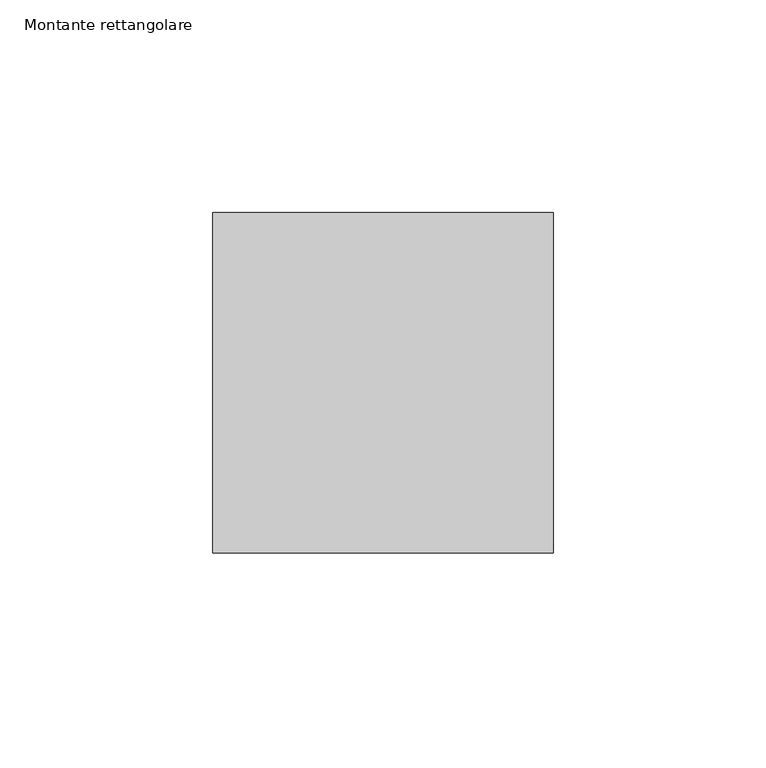
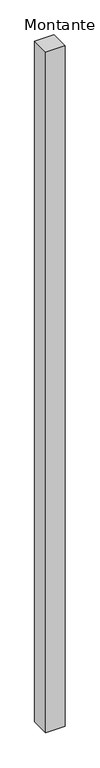
"""IFC4 building model written with IfcOpenShell, lengths in millimetres: member geometry, Montante rettangolare."""

import ifcopenshell
import ifcopenshell.guid

model = None  # the IFC model being written
_history = None  # IfcOwnerHistory: only IFC2X3 demands one
_inside = {}  # id of a spatial element -> (the spatial element, [elements in it])
_under = {}  # id of a project, library or spatial element -> (it, [spatial elements below it])
_declared = {}  # id of a project -> (the project, [libraries it declares])
_typed = {}  # id of a type object -> (the type object, [elements of that type])
_made_of = {}  # id of a material, layer set ... -> (it, [elements and type objects made of it])


def new_model(schema):
    """Start an empty IFC model of exactly this schema.

    Asked for "IFC4X3", IfcOpenShell would pick the latest addendum, in which some entities
    have other attributes; the version numbers below select the first issue.
    IFC2X3 requires an IfcOwnerHistory on every rooted entity: one is made here for all.
    """
    global model, _history
    if schema == "IFC4X3":
        model = ifcopenshell.file(schema_version=(4, 3, 0, 0))
    else:
        model = ifcopenshell.file(schema=schema)
    _inside.clear()
    _under.clear()
    _declared.clear()
    _typed.clear()
    _made_of.clear()
    _history = None
    if model.schema == "IFC2X3":
        org = make("IfcOrganization", Name="unknown")
        user = make(
            "IfcPersonAndOrganization",
            ThePerson=make("IfcPerson", FamilyName="unknown"),
            TheOrganization=org,
        )
        app = make(
            "IfcApplication",
            ApplicationDeveloper=org,
            Version="unknown",
            ApplicationFullName="unknown",
            ApplicationIdentifier="unknown",
        )
        _history = make(
            "IfcOwnerHistory",
            OwningUser=user,
            OwningApplication=app,
            ChangeAction="ADDED",
            CreationDate=0,
        )
    return model


def make(cls, **values):
    """One entity of the class cls with the attributes given. An attribute that is None is left unset."""
    return model.create_entity(
        cls, **{name: value for name, value in values.items() if value is not None}
    )


def rooted(cls, **values):
    """An entity with a GlobalId (a new one), such as an element, a storey or a relation."""
    return make(cls, GlobalId=ifcopenshell.guid.new(), OwnerHistory=_history, **values)


def si_unit(unit_type, name, prefix=None):
    """IfcSIUnit, for example si_unit("LENGTHUNIT", "METRE", prefix="MILLI")."""
    return make("IfcSIUnit", UnitType=unit_type, Prefix=prefix, Name=name)


def assignment(units):
    """IfcUnitAssignment: the units of a project."""
    return None if units is None else make("IfcUnitAssignment", Units=units)


def point(xyz):
    """IfcCartesianPoint."""
    return None if xyz is None else make("IfcCartesianPoint", Coordinates=xyz)


def direction(xyz):
    """IfcDirection."""
    return None if xyz is None else make("IfcDirection", DirectionRatios=xyz)


def frame(location, z_axis=None, x_axis=None):
    """IfcAxis2Placement3D, a coordinate frame: its origin and axes. An axis left out is left unset."""
    return make(
        "IfcAxis2Placement3D",
        Location=point(location),
        Axis=direction(z_axis),
        RefDirection=direction(x_axis),
    )


def origin():
    """The frame at (0, 0, 0) with its axes left unset."""
    return frame((0.0, 0.0, 0.0))


def place(relative_to, where):
    """IfcLocalPlacement: puts the frame where relative to a parent placement (None: the world)."""
    return make(
        "IfcLocalPlacement", PlacementRelTo=relative_to, RelativePlacement=where
    )


def context(
    kind, dimensions, precision=None, world=None, true_north=None, identifier=None
):
    """IfcGeometricRepresentationContext, for example the 3D "Model" context."""
    return make(
        "IfcGeometricRepresentationContext",
        ContextIdentifier=identifier,
        ContextType=kind,
        CoordinateSpaceDimension=dimensions,
        Precision=precision,
        WorldCoordinateSystem=world,
        TrueNorth=true_north,
    )


def project(units=None, contexts=None):
    """IfcProject with its units and contexts."""
    return rooted(
        "IfcProject",
        Name="project",
        RepresentationContexts=contexts,
        UnitsInContext=assignment(units),
    )


def spatial(cls, under=None, at=None, **own):
    """A site, building, storey or space (cls), placed at a placement, below another one or the project."""
    s = rooted(cls, ObjectPlacement=at, **own)
    if under is not None:
        _under.setdefault(under.id(), (under, []))[1].append(s)
    return s


def polyline(points):
    """IfcPolyline through the points."""
    return make("IfcPolyline", Points=[point(p) for p in points])


def outline(outer, holes=None, kind="AREA"):
    """IfcArbitraryClosedProfileDef: a profile drawn as a closed curve; with holes, ...WithVoids."""
    if holes is None:
        return make("IfcArbitraryClosedProfileDef", ProfileType=kind, OuterCurve=outer)
    return make(
        "IfcArbitraryProfileDefWithVoids",
        ProfileType=kind,
        OuterCurve=outer,
        InnerCurves=holes,
    )


def extrude(swept, where, along, depth):
    """IfcExtrudedAreaSolid: the profile swept, set in the frame where, extruded along a direction by depth."""
    return make(
        "IfcExtrudedAreaSolid",
        SweptArea=swept,
        Position=where,
        ExtrudedDirection=direction(along),
        Depth=depth,
    )


def shape(context_of_items, identifier, shape_type, items):
    """IfcShapeRepresentation: the items that make up one representation, for example the "Body"."""
    return make(
        "IfcShapeRepresentation",
        ContextOfItems=context_of_items,
        RepresentationIdentifier=identifier,
        RepresentationType=shape_type,
        Items=items,
    )


def source(mapping_origin, context_of_items, identifier, shape_type, items):
    """IfcRepresentationMap: a shape defined once, which mapped items show again and again."""
    return make(
        "IfcRepresentationMap",
        MappingOrigin=mapping_origin,
        MappedRepresentation=shape(context_of_items, identifier, shape_type, items),
    )


def transform(
    local_origin,
    x_axis=None,
    y_axis=None,
    z_axis=None,
    scale=None,
    scale2=None,
    scale3=None,
    uniform=True,
):
    """IfcCartesianTransformationOperator3D, or its non-uniform kind. x_axis, y_axis, z_axis: its Axis1, 2, 3."""
    if uniform:
        return make(
            "IfcCartesianTransformationOperator3D",
            Axis1=direction(x_axis),
            Axis2=direction(y_axis),
            LocalOrigin=point(local_origin),
            Scale=scale,
            Axis3=direction(z_axis),
        )
    return make(
        "IfcCartesianTransformationOperator3DnonUniform",
        Axis1=direction(x_axis),
        Axis2=direction(y_axis),
        LocalOrigin=point(local_origin),
        Scale=scale,
        Axis3=direction(z_axis),
        Scale2=scale2,
        Scale3=scale3,
    )


def mapped(mapping_source, mapping_target):
    """IfcMappedItem: shows the shape of a source again, moved by a transform."""
    return make(
        "IfcMappedItem", MappingSource=mapping_source, MappingTarget=mapping_target
    )


def made_of(thing, what):
    """Note that an element or type object is made of a material, layer set ...; save() writes the relation."""
    if what is not None:
        _made_of.setdefault(what.id(), (what, []))[1].append(thing)
    return thing


def element(
    cls,
    number,
    at=None,
    inside=None,
    cuts=None,
    type_object=None,
    material=None,
    context=None,
    identifier="Body",
    shape_type=None,
    held_by="IfcProductDefinitionShape",
    body=None,
    shapes=None,
    **own,
):
    """One element of the class cls, such as IfcWall. Its Tag is "e" and its number.

    at: its placement. inside: the storey or other place that contains it. cuts: it is an
    opening in that element (IfcRelVoidsElement). A single representation is given by context,
    identifier, shape_type and body (its items); several are given by shapes. held_by: the class
    of the entity that holds the representations. save() writes the other relations.
    """
    e = rooted(cls, Tag="e%d" % number, ObjectPlacement=at, **own)
    if body is not None:
        shapes = [shape(context, identifier, shape_type, body)]
    if shapes is not None:
        e.Representation = make(held_by, Representations=shapes)
    if inside is not None:
        _inside.setdefault(inside.id(), (inside, []))[1].append(e)
    if cuts is not None:
        rooted(
            "IfcRelVoidsElement", RelatingBuildingElement=cuts, RelatedOpeningElement=e
        )
    if type_object is not None:
        _typed.setdefault(type_object.id(), (type_object, []))[1].append(e)
    return made_of(e, material)


def aggregate(whole, parts):
    """IfcRelAggregates: a whole, such as a stair, and the parts it consists of."""
    return rooted("IfcRelAggregates", RelatingObject=whole, RelatedObjects=parts)


def save(model, path):
    """Write the relations noted so far, then the file.

    IfcRelAggregates (storeys below a building ...), IfcRelContainedInSpatialStructure (elements
    in a storey), IfcRelDefinesByType, IfcRelAssociatesMaterial and IfcRelDeclares: one each for
    every whole, place, type object, material and project.
    """
    for whole, parts in _under.values():
        aggregate(whole, parts)
    for where, things in _inside.values():
        rooted(
            "IfcRelContainedInSpatialStructure",
            RelatedElements=things,
            RelatingStructure=where,
        )
    for kind, things in _typed.values():
        rooted("IfcRelDefinesByType", RelatedObjects=things, RelatingType=kind)
    for what, things in _made_of.values():
        rooted("IfcRelAssociatesMaterial", RelatedObjects=things, RelatingMaterial=what)
    for by, libraries in _declared.values():
        rooted("IfcRelDeclares", RelatingContext=by, RelatedDefinitions=libraries)
    model.write(path)


def montante_rettangolare_c1f4857f(model_context):
    return source(origin(), model_context, "Body", "SweptSolid", [
        extrude(outline(polyline([(40.0, 40.0), (40.0, -40.0), (-40.0, -40.0), (-40.0, 40.0), (40.0, 40.0)])), frame((0.0, 0.0, -3000.9422884), z_axis=(0.0, 0.0, 1.0), x_axis=(1.0, 0.0, 0.0)), (0.0, 0.0, 1.0), 3000.9422884),
    ])


if __name__ == "__main__":
    model = new_model("IFC4")
    model_context = context("Model", 3, world=origin())
    ifc_project = project(units=[si_unit("LENGTHUNIT", "METRE", prefix="MILLI")], contexts=[model_context])
    site = spatial("IfcSite", under=ifc_project)
    building = spatial("IfcBuilding", under=site)
    placement = place(None, origin())
    montante_rettangolare_shape = montante_rettangolare_c1f4857f(model_context)
    element("IfcMember", 1, ObjectType="Montante rettangolare", at=placement, inside=building, context=model_context, shape_type="MappedRepresentation", body=[
        mapped(montante_rettangolare_shape, transform((0.0, 0.0, 0.0), x_axis=(1.0, 0.0, 0.0), y_axis=(0.0, 1.0, 0.0), z_axis=(0.0, 0.0, 1.0))),
    ])
    save(model, "model.ifc")
